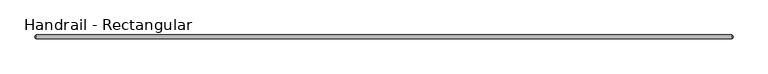
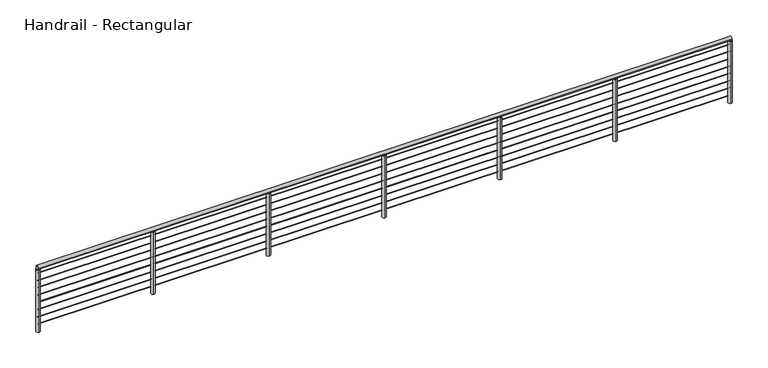
"""IFC4 building model written with IfcOpenShell, lengths in millimetres: railing geometry, Handrail - Rectangular."""

from ifc_helpers import new_model, si_unit, point, frame, frame_2d, origin, origin_with_axes, place, context, project, spatial, circle_curve, trimmed, segment, composite_curve, outline, extrude, source, transform, mapped, element, save


def handrail_rectangular_e05fe1a3(model_context):
    return source(origin(), model_context, "Body", "SweptSolid", [
        extrude(outline(composite_curve([segment(trimmed(circle_curve(frame_2d((1031.7403383, 889.0)), 25.4), [point((1057.1403383, 889.0))], [point((1006.3403383, 889.0))], False, "CARTESIAN"), True, "CONTINUOUS"), segment(trimmed(circle_curve(frame_2d((1031.7403383, 889.0)), 25.4), [point((1006.3403383, 889.0))], [point((1057.1403383, 889.0))], False, "CARTESIAN"), True, "CONTINUOUS")], self_intersect=False)), frame((-11497.8887205, 0.0, 0.0), z_axis=(1.0, 0.0, 0.0), x_axis=(0.0, 1.0, 0.0)), (0.0, 0.0, 1.0), 9144.0),
        extrude(outline(composite_curve([segment(trimmed(circle_curve(frame_2d((1031.7403383, 809.625)), 3.175), [point((1034.9153383, 809.625))], [point((1028.5653383, 809.625))], False, "CARTESIAN"), True, "CONTINUOUS"), segment(trimmed(circle_curve(frame_2d((1031.7403383, 809.625)), 3.175), [point((1028.5653383, 809.625))], [point((1034.9153383, 809.625))], False, "CARTESIAN"), True, "CONTINUOUS")], self_intersect=False)), frame((-11497.8887205, 0.0, 0.0), z_axis=(1.0, 0.0, 0.0), x_axis=(0.0, 1.0, 0.0)), (0.0, 0.0, 1.0), 9144.0),
        extrude(outline(composite_curve([segment(trimmed(circle_curve(frame_2d((1031.7403383, 708.025)), 3.175), [point((1034.9153383, 708.025))], [point((1028.5653383, 708.025))], False, "CARTESIAN"), True, "CONTINUOUS"), segment(trimmed(circle_curve(frame_2d((1031.7403383, 708.025)), 3.175), [point((1028.5653383, 708.025))], [point((1034.9153383, 708.025))], False, "CARTESIAN"), True, "CONTINUOUS")], self_intersect=False)), frame((-11497.8887205, 0.0, 0.0), z_axis=(1.0, 0.0, 0.0), x_axis=(0.0, 1.0, 0.0)), (0.0, 0.0, 1.0), 9144.0),
        extrude(outline(composite_curve([segment(trimmed(circle_curve(frame_2d((1031.7403383, 606.425)), 3.175), [point((1034.9153383, 606.425))], [point((1028.5653383, 606.425))], False, "CARTESIAN"), True, "CONTINUOUS"), segment(trimmed(circle_curve(frame_2d((1031.7403383, 606.425)), 3.175), [point((1028.5653383, 606.425))], [point((1034.9153383, 606.425))], False, "CARTESIAN"), True, "CONTINUOUS")], self_intersect=False)), frame((-11497.8887205, 0.0, 0.0), z_axis=(1.0, 0.0, 0.0), x_axis=(0.0, 1.0, 0.0)), (0.0, 0.0, 1.0), 9144.0),
        extrude(outline(composite_curve([segment(trimmed(circle_curve(frame_2d((1031.7403383, 504.825)), 3.175), [point((1034.9153383, 504.825))], [point((1028.5653383, 504.825))], False, "CARTESIAN"), True, "CONTINUOUS"), segment(trimmed(circle_curve(frame_2d((1031.7403383, 504.825)), 3.175), [point((1028.5653383, 504.825))], [point((1034.9153383, 504.825))], False, "CARTESIAN"), True, "CONTINUOUS")], self_intersect=False)), frame((-11497.8887205, 0.0, 0.0), z_axis=(1.0, 0.0, 0.0), x_axis=(0.0, 1.0, 0.0)), (0.0, 0.0, 1.0), 9144.0),
        extrude(outline(composite_curve([segment(trimmed(circle_curve(frame_2d((1031.7403383, 403.225)), 3.175), [point((1034.9153383, 403.225))], [point((1028.5653383, 403.225))], False, "CARTESIAN"), True, "CONTINUOUS"), segment(trimmed(circle_curve(frame_2d((1031.7403383, 403.225)), 3.175), [point((1028.5653383, 403.225))], [point((1034.9153383, 403.225))], False, "CARTESIAN"), True, "CONTINUOUS")], self_intersect=False)), frame((-11497.8887205, 0.0, 0.0), z_axis=(1.0, 0.0, 0.0), x_axis=(0.0, 1.0, 0.0)), (0.0, 0.0, 1.0), 9144.0),
        extrude(outline(composite_curve([segment(trimmed(circle_curve(frame_2d((1031.7403383, 301.625)), 3.175), [point((1034.9153383, 301.625))], [point((1028.5653383, 301.625))], False, "CARTESIAN"), True, "CONTINUOUS"), segment(trimmed(circle_curve(frame_2d((1031.7403383, 301.625)), 3.175), [point((1028.5653383, 301.625))], [point((1034.9153383, 301.625))], False, "CARTESIAN"), True, "CONTINUOUS")], self_intersect=False)), frame((-11497.8887205, 0.0, 0.0), z_axis=(1.0, 0.0, 0.0), x_axis=(0.0, 1.0, 0.0)), (0.0, 0.0, 1.0), 9144.0),
        extrude(outline(composite_curve([segment(trimmed(circle_curve(frame_2d((1031.7403383, 200.025)), 3.175), [point((1034.9153383, 200.025))], [point((1028.5653383, 200.025))], False, "CARTESIAN"), True, "CONTINUOUS"), segment(trimmed(circle_curve(frame_2d((1031.7403383, 200.025)), 3.175), [point((1028.5653383, 200.025))], [point((1034.9153383, 200.025))], False, "CARTESIAN"), True, "CONTINUOUS")], self_intersect=False)), frame((-11497.8887205, 0.0, 0.0), z_axis=(1.0, 0.0, 0.0), x_axis=(0.0, 1.0, 0.0)), (0.0, 0.0, 1.0), 9144.0),
        extrude(outline(composite_curve([segment(trimmed(circle_curve(frame_2d((1031.7403383, 98.425)), 3.175), [point((1034.9153383, 98.425))], [point((1028.5653383, 98.425))], False, "CARTESIAN"), True, "CONTINUOUS"), segment(trimmed(circle_curve(frame_2d((1031.7403383, 98.425)), 3.175), [point((1028.5653383, 98.425))], [point((1034.9153383, 98.425))], False, "CARTESIAN"), True, "CONTINUOUS")], self_intersect=False)), frame((-11497.8887205, 0.0, 0.0), z_axis=(1.0, 0.0, 0.0), x_axis=(0.0, 1.0, 0.0)), (0.0, 0.0, 1.0), 9144.0),
        extrude(outline(composite_curve([segment(trimmed(circle_curve(frame_2d((-3877.8887205, 1031.7403383)), 25.4), [point((-3877.8887205, 1057.1403383))], [point((-3877.8887205, 1006.3403383))], False, "CARTESIAN"), True, "CONTINUOUS"), segment(trimmed(circle_curve(frame_2d((-3877.8887205, 1031.7403383)), 25.4), [point((-3877.8887205, 1006.3403383))], [point((-3877.8887205, 1057.1403383))], False, "CARTESIAN"), True, "CONTINUOUS")], self_intersect=False)), origin_with_axes(), (0.0, 0.0, 1.0), 863.6),
        extrude(outline(composite_curve([segment(trimmed(circle_curve(frame_2d((-5401.8887205, 1031.7403383)), 25.4), [point((-5401.8887205, 1057.1403383))], [point((-5401.8887205, 1006.3403383))], False, "CARTESIAN"), True, "CONTINUOUS"), segment(trimmed(circle_curve(frame_2d((-5401.8887205, 1031.7403383)), 25.4), [point((-5401.8887205, 1006.3403383))], [point((-5401.8887205, 1057.1403383))], False, "CARTESIAN"), True, "CONTINUOUS")], self_intersect=False)), origin_with_axes(), (0.0, 0.0, 1.0), 863.6),
        extrude(outline(composite_curve([segment(trimmed(circle_curve(frame_2d((-6925.8887205, 1031.7403383)), 25.4), [point((-6925.8887205, 1057.1403383))], [point((-6925.8887205, 1006.3403383))], False, "CARTESIAN"), True, "CONTINUOUS"), segment(trimmed(circle_curve(frame_2d((-6925.8887205, 1031.7403383)), 25.4), [point((-6925.8887205, 1006.3403383))], [point((-6925.8887205, 1057.1403383))], False, "CARTESIAN"), True, "CONTINUOUS")], self_intersect=False)), origin_with_axes(), (0.0, 0.0, 1.0), 863.6),
        extrude(outline(composite_curve([segment(trimmed(circle_curve(frame_2d((-8449.8887205, 1031.7403383)), 25.4), [point((-8449.8887205, 1057.1403383))], [point((-8449.8887205, 1006.3403383))], False, "CARTESIAN"), True, "CONTINUOUS"), segment(trimmed(circle_curve(frame_2d((-8449.8887205, 1031.7403383)), 25.4), [point((-8449.8887205, 1006.3403383))], [point((-8449.8887205, 1057.1403383))], False, "CARTESIAN"), True, "CONTINUOUS")], self_intersect=False)), origin_with_axes(), (0.0, 0.0, 1.0), 863.6),
        extrude(outline(composite_curve([segment(trimmed(circle_curve(frame_2d((-9973.8887205, 1031.7403383)), 25.4), [point((-9973.8887205, 1057.1403383))], [point((-9973.8887205, 1006.3403383))], False, "CARTESIAN"), True, "CONTINUOUS"), segment(trimmed(circle_curve(frame_2d((-9973.8887205, 1031.7403383)), 25.4), [point((-9973.8887205, 1006.3403383))], [point((-9973.8887205, 1057.1403383))], False, "CARTESIAN"), True, "CONTINUOUS")], self_intersect=False)), origin_with_axes(), (0.0, 0.0, 1.0), 863.6),
        extrude(outline(composite_curve([segment(trimmed(circle_curve(frame_2d((-2363.4137205, 1031.7403383)), 25.4), [point((-2363.4137205, 1057.1403383))], [point((-2363.4137205, 1006.3403383))], False, "CARTESIAN"), True, "CONTINUOUS"), segment(trimmed(circle_curve(frame_2d((-2363.4137205, 1031.7403383)), 25.4), [point((-2363.4137205, 1006.3403383))], [point((-2363.4137205, 1057.1403383))], False, "CARTESIAN"), True, "CONTINUOUS")], self_intersect=False)), origin_with_axes(), (0.0, 0.0, 1.0), 863.6),
        extrude(outline(composite_curve([segment(trimmed(circle_curve(frame_2d((-11488.3637205, 1031.7403383)), 25.4), [point((-11488.3637205, 1057.1403383))], [point((-11488.3637205, 1006.3403383))], False, "CARTESIAN"), True, "CONTINUOUS"), segment(trimmed(circle_curve(frame_2d((-11488.3637205, 1031.7403383)), 25.4), [point((-11488.3637205, 1006.3403383))], [point((-11488.3637205, 1057.1403383))], False, "CARTESIAN"), True, "CONTINUOUS")], self_intersect=False)), origin_with_axes(), (0.0, 0.0, 1.0), 863.6),
    ])


if __name__ == "__main__":
    model = new_model("IFC4")
    model_context = context("Model", 3, world=origin())
    ifc_project = project(units=[si_unit("LENGTHUNIT", "METRE", prefix="MILLI")], contexts=[model_context])
    site = spatial("IfcSite", under=ifc_project)
    building = spatial("IfcBuilding", under=site)
    placement = place(None, origin())
    handrail_rectangular_shape = handrail_rectangular_e05fe1a3(model_context)
    element("IfcRailing", 1, ObjectType="Handrail - Rectangular", at=placement, inside=building, context=model_context, shape_type="MappedRepresentation", body=[
        mapped(handrail_rectangular_shape, transform((0.0, 0.0, 0.0), x_axis=(1.0, 0.0, 0.0), y_axis=(0.0, 1.0, 0.0), z_axis=(0.0, 0.0, 1.0))),
    ])
    save(model, "model.ifc")
